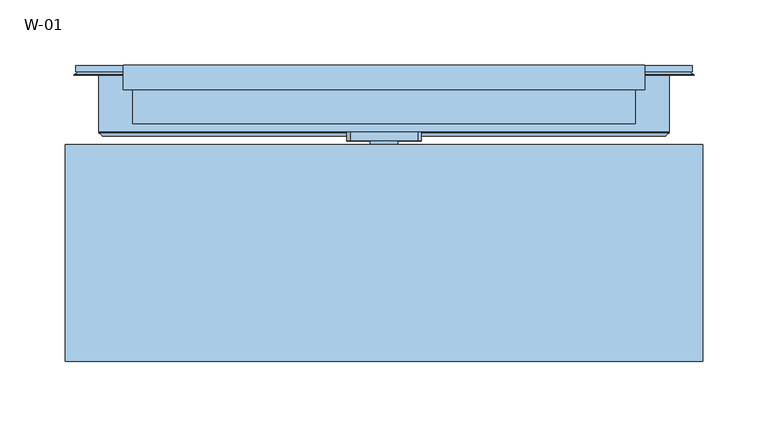
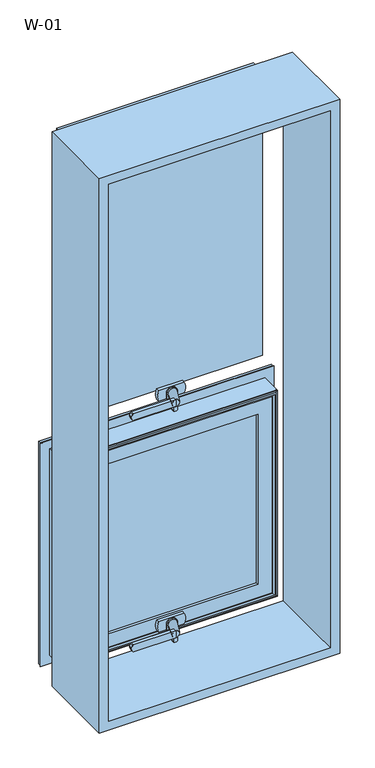
"""IFC4 building model written with IfcOpenShell, lengths in millimetres: window geometry, W-01."""

from ifc_helpers import new_model, si_unit, point, frame, frame_2d, origin, place, context, project, spatial, polyline, circle_curve, ellipse_curve, trimmed, segment, composite_curve, outline, extrude, source, transform, mapped, element, save
from ifc_brep_helpers import plane_surface, cylinder_surface, revolved_surface, spline_surface, advanced_brep


def w_01_07b2ce34(model_context):
    return source(origin(), model_context, "Body", "SolidModel", [
        extrude(outline(polyline([(192.4, 81.9927036), (-192.4, 81.9927036), (-192.4, 107.9927036), (192.4, 107.9927036), (192.4, 81.9927036)])), frame((0.0, 0.0, 1052.2), z_axis=(0.0, 0.0, 1.0), x_axis=(1.0, 0.0, 0.0)), (0.0, 0.0, 1.0), 590.2),
        extrude(outline(polyline([(1693.8, 243.8), (1693.8, -243.8), (506.2, -243.8), (506.2, 243.8), (1693.8, 243.8)]), holes=[polyline([(524.7, 225.3), (524.7, -225.3), (1675.3, -225.3), (1675.3, 225.3), (524.7, 225.3)])]), frame((0.0, -100.0, 0.0), z_axis=(0.0, 1.0, 0.0), x_axis=(0.0, 0.0, 1.0)), (0.0, 0.0, 1.0), 165.9999813),
        extrude(outline(polyline([(192.4, 81.9927036), (-192.4, 81.9927036), (-192.4, 107.9927036), (192.4, 107.9927036), (192.4, 81.9927036)])), frame((0.0, 0.0, 557.6), z_axis=(0.0, 0.0, 1.0), x_axis=(1.0, 0.0, 0.0)), (0.0, 0.0, 1.0), 389.8),
        advanced_brep(
        [(-179.4, 115.3228058, 934.4), (-177.2575034, 107.9927036, 932.2575034), (-177.2575034, 107.9927036, 572.7424966), (-179.4, 115.3228058, 570.6), (-179.4, 126.5998961, 934.4), (-179.4, 126.5998961, 570.6), (-199.4, 107.9927036, 954.4), (-199.4, 126.5998961, 954.4), (-199.4, 126.5998961, 550.6), (-199.4, 107.9927036, 550.6), (177.2575034, 107.9927036, 572.7424966), (179.4, 115.3228058, 570.6), (179.4, 126.5998961, 570.6), (199.4, 126.5998961, 550.6), (199.4, 107.9927036, 550.6), (177.2575034, 107.9927036, 932.2575034), (179.4, 115.3228058, 934.4), (179.4, 126.5998961, 934.4), (199.4, 126.5998961, 954.4), (199.4, 107.9927036, 954.4)],
        [
            (0, 1, ellipse_curve(frame((-159.7925883, 117.0756419, 914.7925883), z_axis=(0.7071067811865475, 0.0, 0.7071067811865475), x_axis=(0.7071067811865474, 0.0, -0.7071067811865476)), 27.839649, 19.6856046)),
            (1, 2),
            (2, 3, ellipse_curve(frame((-159.7925883, 117.0756419, 590.2074117), z_axis=(0.7071067811865475, 0.0, -0.7071067811865475), x_axis=(-0.7071067811865474, 0.0, -0.7071067811865476)), 27.839649, 19.6856046)),
            (3, 0),
            (4, 0),
            (3, 5),
            (5, 4),
            (6, 7),
            (7, 8),
            (8, 9),
            (9, 6),
            (2, 10),
            (10, 11, ellipse_curve(frame((159.7925883, 117.0756419, 590.2074117), z_axis=(0.7071067811865475, 0.0, 0.7071067811865475), x_axis=(0.7071067811865476, 0.0, -0.7071067811865474)), 27.839649, 19.6856046)),
            (11, 3),
            (11, 12),
            (12, 5),
            (8, 13),
            (13, 14),
            (14, 9),
            (10, 15),
            (15, 16, ellipse_curve(frame((159.7925883, 117.0756419, 914.7925883), z_axis=(-0.7071067811865475, 0.0, 0.7071067811865475), x_axis=(0.7071067811865474, 0.0, 0.7071067811865476)), 27.839649, 19.6856046)),
            (16, 11),
            (16, 17),
            (17, 12),
            (13, 18),
            (18, 19),
            (19, 14),
            (19, 6),
            (1, 15),
            (0, 16),
            (4, 17),
            (7, 18),
        ],
        [
            revolved_surface(polyline([(-179.4781929, 117.0756419, 570.5218071062467), (-179.4781929, 117.0756419, 934.4781928937533)]), (-159.7925883, 117.0756419, 954.4), (0.0, 0.0, -1.0)),
            plane_surface(frame((-179.4, 115.3228058, 934.4), z_axis=(1.0, 0.0, 0.0), x_axis=(0.0, 0.0, -1.0))),
            plane_surface(frame((-199.4, 126.5998961, 954.4), z_axis=(-1.0, 0.0, 0.0), x_axis=(0.0, 0.0, -1.0))),
            revolved_surface(polyline([(179.4781928937533, 117.0756419, 570.5218070999999), (-179.4781928937533, 117.0756419, 570.5218070999999)]), (-199.4, 117.0756419, 590.2074117), (1.0, 0.0, 0.0)),
            plane_surface(frame((-179.4, 115.3228058, 570.6), z_axis=(0.0, 0.0, 1.0), x_axis=(1.0, 0.0, 0.0))),
            plane_surface(frame((-199.4, 126.5998961, 550.6), z_axis=(0.0, 0.0, -1.0), x_axis=(1.0, 0.0, 0.0))),
            revolved_surface(polyline([(179.4781929, 117.0756419, 934.4781928937533), (179.4781929, 117.0756419, 570.5218071062467)]), (159.7925883, 117.0756419, 550.6), (0.0, 0.0, 1.0)),
            plane_surface(frame((179.4, 115.3228058, 570.6), z_axis=(-1.0, 0.0, 0.0), x_axis=(0.0, 0.0, 1.0))),
            plane_surface(frame((199.4, 126.5998961, 550.6), z_axis=(1.0, 0.0, 0.0), x_axis=(0.0, 0.0, 1.0))),
            plane_surface(frame((199.4, 107.9927036, 954.4), z_axis=(0.0, -1.0, 0.0), x_axis=(-1.0, 0.0, 0.0))),
            revolved_surface(polyline([(-179.4781928937533, 117.0756419, 934.4781929000001), (179.4781928937533, 117.0756419, 934.4781929000001)]), (199.4, 117.0756419, 914.7925883), (-1.0, 0.0, 0.0)),
            plane_surface(frame((179.4, 115.3228058, 934.4), z_axis=(0.0, 0.0, -1.0), x_axis=(-1.0, 0.0, 0.0))),
            plane_surface(frame((179.4, 126.5998961, 934.4), z_axis=(0.0, 1.0, 0.0), x_axis=(-1.0, 0.0, 0.0))),
            plane_surface(frame((199.4, 126.5998961, 954.4), z_axis=(0.0, 0.0, 1.0), x_axis=(-1.0, 0.0, 0.0))),
        ],
        [
            (0, [[1, 2, 3, 4]]),
            (1, [[5, -4, 6, 7]]),
            (2, [[8, 9, 10, 11]]),
            (3, [[-3, 12, 13, 14]]),
            (4, [[-6, -14, 15, 16]]),
            (5, [[-10, 17, 18, 19]]),
            (6, [[-13, 20, 21, 22]]),
            (7, [[-15, -22, 23, 24]]),
            (8, [[-18, 25, 26, 27]]),
            (9, [[-19, -27, 28, -11], [29, -20, -12, -2]]),
            (10, [[-21, -29, -1, 30]]),
            (11, [[-23, -30, -5, 31]]),
            (12, [[32, -25, -17, -9], [-16, -24, -31, -7]]),
            (13, [[-26, -32, -8, -28]]),
        ],
    ),
        extrude(outline(composite_curve([segment(polyline([(531.7, -8.432005), (531.7, -5.567995)]), True, "CONTINUOUS"), segment(trimmed(circle_curve(frame_2d((534.7, -5.567995)), 3.0), [point((531.7, -5.567995))], [point((534.5429921, -2.5721064))], False, "CARTESIAN"), True, "CONTINUOUS"), segment(polyline([(534.5429921, -2.5721064), (555.0, -1.5), (555.0, -12.5), (534.5429921, -11.4278936)]), True, "CONTINUOUS"), segment(trimmed(circle_curve(frame_2d((534.7, -8.432005)), 3.0), [point((534.5429921, -11.4278936))], [point((531.7, -8.432005))], False, "CARTESIAN"), True, "CONTINUOUS")], self_intersect=False)), frame((0.0, 42.4998877, 0.0), z_axis=(0.0, 1.0, 0.0), x_axis=(0.0, 0.0, 1.0)), (0.0, 0.0, 1.0), 4.9),
        extrude(outline(composite_curve([segment(polyline([(527.7, -3.7223739), (527.7, 1.7223739)]), True, "CONTINUOUS"), segment(trimmed(circle_curve(frame_2d((530.7, 1.7223739)), 3.0), [point((527.7, 1.7223739))], [point((530.5429921, 4.7182625))], False, "CARTESIAN"), True, "CONTINUOUS"), segment(polyline([(530.5429921, 4.7182625), (555.0, 6.0), (555.0, -8.0), (530.5429921, -6.7182625)]), True, "CONTINUOUS"), segment(trimmed(circle_curve(frame_2d((530.7, -3.7223739)), 3.0), [point((530.5429921, -6.7182625))], [point((527.7, -3.7223739))], False, "CARTESIAN"), True, "CONTINUOUS")], self_intersect=False)), frame((0.0, 59.2998877, 0.0), z_axis=(0.0, 1.0, 0.0), x_axis=(0.0, 0.0, 1.0)), (0.0, 0.0, 1.0), 5.3),
        extrude(outline(composite_curve([segment(trimmed(circle_curve(frame_2d((560.2, -96.7659341)), 2.0), [point((562.2, -96.7659341))], [point((560.9427814, -98.6228875))], False, "CARTESIAN"), True, "CONTINUOUS"), segment(polyline([(560.9427814, -98.6228875), (556.4855627, -100.4057749)]), True, "CONTINUOUS"), segment(trimmed(circle_curve(frame_2d((555.0, -96.6918682)), 4.0), [point((556.4855627, -100.4057749))], [point((553.5144373, -100.4057749))], False, "CARTESIAN"), True, "CONTINUOUS"), segment(polyline([(553.5144373, -100.4057749), (549.0572186, -98.6228875)]), True, "CONTINUOUS"), segment(trimmed(circle_curve(frame_2d((549.8, -96.7659341)), 2.0), [point((549.0572186, -98.6228875))], [point((547.8, -96.7659341))], False, "CARTESIAN"), True, "CONTINUOUS"), segment(polyline([(547.8, -96.7659341), (547.8, -11.0), (562.2, -11.0), (562.2, -96.7659341)]), True, "CONTINUOUS")], self_intersect=False)), frame((0.0, 34.5998877, 0.0), z_axis=(0.0, 1.0, 0.0), x_axis=(0.0, 0.0, 1.0)), (0.0, 0.0, 1.0), 7.0),
        extrude(outline(composite_curve([segment(trimmed(circle_curve(frame_2d((555.0, 0.0)), 7.0), [point((555.0, 7.0))], [point((555.0, -7.0))], False, "CARTESIAN"), True, "CONTINUOUS"), segment(trimmed(circle_curve(frame_2d((555.0, 0.0)), 7.0), [point((555.0, -7.0))], [point((555.0, 7.0))], False, "CARTESIAN"), True, "CONTINUOUS")], self_intersect=False)), frame((0.0, 64.5998877, 0.0), z_axis=(0.0, 1.0, 0.0), x_axis=(0.0, 0.0, 1.0)), (0.0, 0.0, 1.0), 1.5),
        advanced_brep(
        [(-3.5, 34.5998877, 555.0), (-18.5, 34.5998877, 555.0), (9.0, 64.5998877, 555.0), (-9.0, 64.5998877, 555.0)],
        [
            (0, 1, circle_curve(frame((-11.0, 34.5998877, 555.0), z_axis=(0.0, -1.0, 0.0), x_axis=(-1.0, 0.0, 0.0)), 7.5)),
            (1, 0, circle_curve(frame((-11.0, 34.5998877, 555.0), z_axis=(0.0, -1.0, 0.0), x_axis=(-1.0, 0.0, 0.0)), 7.5)),
            (2, 3, circle_curve(frame((0.0, 64.5998877, 555.0), z_axis=(0.0, 1.0, 0.0), x_axis=(-1.0, 0.0, 0.0)), 9.0)),
            (3, 2, circle_curve(frame((0.0, 64.5998877, 555.0), z_axis=(0.0, 1.0, 0.0), x_axis=(-1.0, 0.0, 0.0)), 9.0)),
            (2, 0),
            (1, 3),
        ],
        [
            plane_surface(frame((-11.0, 34.5998877, 555.0), z_axis=(0.0, -1.0, 0.0), x_axis=(0.0, 0.0, -1.0))),
            plane_surface(frame((0.0, 64.5998877, 555.0), z_axis=(0.0, 1.0, 0.0), x_axis=(0.0, 0.0, -1.0))),
            spline_surface(1, 2, [[(9.0, 64.5998877, 555.0), (9.0, 64.5998877, 546.0), (0.0, 64.5998877, 546.0), (-9.0, 64.5998877, 546.0), (-9.0, 64.5998877, 555.0)], [(-3.5, 34.5998877, 555.0), (-3.5, 34.5998877, 547.5), (-11.0, 34.5998877, 547.5), (-18.5, 34.5998877, 547.5), (-18.5, 34.5998877, 555.0)]], [2, 2], [3, 2, 3], [0.0, 1.0], [0.0, 1.0, 2.0], weights=[[1.0, 0.7071067811865476, 1.0, 0.7071067811865476, 1.0], [1.0, 0.7071067811865476, 1.0, 0.7071067811865476, 1.0]]),
            spline_surface(1, 2, [[(-9.0, 64.5998877, 555.0), (-9.0, 64.5998877, 564.0), (0.0, 64.5998877, 564.0), (9.0, 64.5998877, 564.0), (9.0, 64.5998877, 555.0)], [(-18.5, 34.5998877, 555.0), (-18.5, 34.5998877, 562.5), (-11.0, 34.5998877, 562.5), (-3.5, 34.5998877, 562.5), (-3.5, 34.5998877, 555.0)]], [2, 2], [3, 2, 3], [0.0, 1.0], [0.0, 1.0, 2.0], weights=[[1.0, 0.7071067811865476, 1.0, 0.7071067811865476, 1.0], [1.0, 0.7071067811865476, 1.0, 0.7071067811865476, 1.0]]),
        ],
        [
            (0, [[1, 2]]),
            (1, [[3, 4]]),
            (2, [[5, -2, 6, -3]]),
            (3, [[-6, -1, -5, -4]]),
        ],
    ),
        extrude(outline(composite_curve([segment(trimmed(circle_curve(frame_2d((555.0, 0.0)), 10.6), [point((555.0, 10.6))], [point((555.0, -10.6))], False, "CARTESIAN"), True, "CONTINUOUS"), segment(polyline([(555.0, -10.6), (543.95, -10.6), (543.95, 10.6), (555.0, 10.6)]), True, "CONTINUOUS")], self_intersect=False)), frame((0.0, 66.0998877, 0.0), z_axis=(0.0, 1.0, 0.0), x_axis=(0.0, 0.0, 1.0)), (0.0, 0.0, 1.0), 2.8),
        extrude(outline(composite_curve([segment(polyline([(543.95, -26.0), (543.95, 26.0)]), True, "CONTINUOUS"), segment(trimmed(circle_curve(frame_2d((555.0, 3.2967472)), 25.2495582), [point((543.95, 26.0))], [point((566.05, 26.0))], False, "CARTESIAN"), True, "CONTINUOUS"), segment(polyline([(566.05, 26.0), (566.05, -26.0)]), True, "CONTINUOUS"), segment(trimmed(circle_curve(frame_2d((555.0, -3.2967472)), 25.2495582), [point((566.05, -26.0))], [point((543.95, -26.0))], False, "CARTESIAN"), True, "CONTINUOUS")], self_intersect=False)), frame((0.0, 68.8998877, 0.0), z_axis=(0.0, 1.0, 0.0), x_axis=(0.0, 0.0, 1.0)), (0.0, 0.0, 1.0), 6.7),
        advanced_brep(
        [(235.8588651, 121.9998959, 990.8588651), (235.8588651, 121.9998959, 514.1411349), (235.8588651, 126.5998959, 514.1411349), (235.8588651, 126.5998959, 990.8588651), (-235.8588651, 126.5998959, 990.8588651), (-235.8588651, 126.5998959, 514.1411349), (199.3588651, 126.5998959, 954.3588651), (-199.3588651, 126.5998959, 954.3588651), (-199.3588651, 126.5998959, 550.6411349), (199.3588651, 126.5998959, 550.6411349), (-235.8588651, 121.9998959, 514.1411349), (-235.8588651, 121.9998959, 990.8588651), (-233.7537664, 121.9998959, 988.7537664), (233.7537664, 121.9998959, 988.7537664), (233.7537664, 121.9998959, 516.2462336), (-233.7537664, 121.9998959, 516.2462336), (236.4637148, 119.9946704, 991.4637148), (236.4637148, 119.9946704, 513.5362852), (-236.4637148, 119.9946704, 513.5362852), (237.2086873, 118.9999375, 992.2086873), (237.2086873, 118.9999375, 512.7913127), (-237.2086873, 118.9999375, 512.7913127), (-237.2086873, 118.9999375, 992.2086873), (-218.3588678, 118.9999375, 973.3588678), (218.3588678, 118.9999375, 973.3588678), (218.3588678, 118.9999375, 531.6411322), (-218.3588678, 118.9999375, 531.6411322), (218.3588678, 76.0998843, 973.3588678), (218.3588678, 76.0998843, 531.6411322), (-218.3588678, 76.0998843, 531.6411322), (217.8588679, 75.5998845, 972.8588679), (217.8588679, 75.5998845, 532.1411321), (-217.8588679, 75.5998845, 532.1411321), (218.144223, 74.6078109, 973.144223), (218.144223, 74.6078109, 531.855777), (-218.144223, 74.6078109, 531.855777), (215.4347904, 72.6034283, 970.4347904), (215.4347904, 72.6034283, 534.5652096), (-215.4347904, 72.6034283, 534.5652096), (-215.4347904, 72.6034283, 970.4347904), (-212.0349667, 72.6034283, 967.0349667), (212.0349667, 72.6034283, 967.0349667), (212.0349667, 72.6034283, 537.9650333), (-212.0349667, 72.6034283, 537.9650333), (208.8054323, 74.6078109, 963.8054323), (208.8054323, 74.6078109, 541.1945677), (-208.8054323, 74.6078109, 541.1945677), (208.340576, 75.5998877, 963.340576), (208.340576, 75.5998877, 541.659424), (-208.340576, 75.5998877, 541.659424), (-208.340576, 75.5998877, 963.340576), (-179.3588709, 75.5998877, 934.3588709), (179.3588709, 75.5998877, 934.3588709), (179.3588709, 75.5998877, 570.6411291), (-179.3588709, 75.5998877, 570.6411291), (179.3588709, 80.1998877, 934.3588709), (179.3588709, 80.1998877, 570.6411291), (-179.3588709, 80.1998877, 570.6411291), (-199.3588651, 80.1998877, 954.3588651), (199.3588651, 80.1998877, 954.3588651), (199.3588651, 80.1998877, 550.6411349), (-199.3588651, 80.1998877, 550.6411349), (-179.3588709, 80.1998877, 934.3588709), (-236.4637148, 119.9946704, 991.4637148), (-218.3588678, 76.0998843, 973.3588678), (-217.8588679, 75.5998845, 972.8588679), (-218.144223, 74.6078109, 973.144223), (-208.8054323, 74.6078109, 963.8054323)],
        [
            (0, 1),
            (1, 2),
            (2, 3),
            (3, 0),
            (4, 3),
            (2, 5),
            (5, 4),
            (6, 7),
            (7, 8),
            (8, 9),
            (9, 6),
            (1, 10),
            (10, 5),
            (0, 11),
            (11, 10),
            (12, 13),
            (13, 14),
            (14, 15),
            (15, 12),
            (16, 17),
            (17, 14, ellipse_curve(frame((237.5848432, 124.3435951, 512.4151568), z_axis=(-0.7071067811865475, 0.0, -0.7071067811865475), x_axis=(0.7071067811865474, 0.0, -0.7071067811865476)), 6.3513896, 4.4911107)),
            (13, 16, ellipse_curve(frame((237.5848432, 124.3435951, 992.5848432), z_axis=(-0.7071067811865475, 0.0, 0.7071067811865475), x_axis=(-0.7071067811865474, 0.0, -0.7071067811865476)), 6.3513896, 4.4911107)),
            (17, 18),
            (18, 15, ellipse_curve(frame((-237.5848432, 124.3435951, 512.4151568), z_axis=(-0.7071067811865475, 0.0, 0.7071067811865475), x_axis=(-0.7071067811865476, 0.0, -0.7071067811865474)), 6.3513896, 4.4911107)),
            (19, 20),
            (20, 17),
            (16, 19),
            (20, 21),
            (21, 18),
            (19, 22),
            (22, 21),
            (23, 24),
            (24, 25),
            (25, 26),
            (26, 23),
            (27, 28),
            (28, 25),
            (24, 27),
            (28, 29),
            (29, 26),
            (30, 31),
            (31, 28, ellipse_curve(frame((217.8588679, 76.0998843, 532.1411321), z_axis=(0.7071067811865475, 0.0, 0.7071067811865475), x_axis=(-0.7071067811865474, 0.0, 0.7071067811865476)), 0.7071066, 0.4999999)),
            (27, 30, ellipse_curve(frame((217.8588679, 76.0998843, 972.8588679), z_axis=(0.7071067811865475, 0.0, -0.7071067811865475), x_axis=(0.7071067811865474, 0.0, 0.7071067811865476)), 0.7071066, 0.4999999)),
            (31, 32),
            (32, 29, ellipse_curve(frame((-217.8588679, 76.0998843, 532.1411321), z_axis=(0.7071067811865475, 0.0, -0.7071067811865475), x_axis=(0.7071067811865476, 0.0, 0.7071067811865474)), 0.7071066, 0.4999999)),
            (33, 34),
            (34, 31),
            (30, 33),
            (34, 35),
            (35, 32),
            (36, 37),
            (37, 34, ellipse_curve(frame((219.2653514, 70.2588862, 530.7346486), z_axis=(-0.7071067811865475, 0.0, -0.7071067811865475), x_axis=(0.7071067811865474, 0.0, -0.7071067811865476)), 6.3513896, 4.4911107)),
            (33, 36, ellipse_curve(frame((219.2653514, 70.2588862, 974.2653514), z_axis=(-0.7071067811865475, 0.0, 0.7071067811865475), x_axis=(-0.7071067811865474, 0.0, -0.7071067811865476)), 6.3513896, 4.4911107)),
            (37, 38),
            (38, 35, ellipse_curve(frame((-219.2653514, 70.2588862, 530.7346486), z_axis=(-0.7071067811865475, 0.0, 0.7071067811865475), x_axis=(-0.7071067811865476, 0.0, -0.7071067811865474)), 6.3513896, 4.4911107)),
            (36, 39),
            (39, 38),
            (40, 41),
            (41, 42),
            (42, 43),
            (43, 40),
            (44, 45),
            (45, 42, ellipse_curve(frame((208.5540914, 70.5988781, 541.4459086), z_axis=(-0.7071067811865475, 0.0, -0.7071067811865475), x_axis=(0.7071067811865474, 0.0, -0.7071067811865476)), 5.6806187, 4.016804)),
            (41, 44, ellipse_curve(frame((208.5540914, 70.5988781, 963.5540914), z_axis=(-0.7071067811865475, 0.0, 0.7071067811865475), x_axis=(-0.7071067811865474, 0.0, -0.7071067811865476)), 5.6806187, 4.016804)),
            (45, 46),
            (46, 43, ellipse_curve(frame((-208.5540914, 70.5988781, 541.4459086), z_axis=(-0.7071067811865475, 0.0, 0.7071067811865475), x_axis=(-0.7071067811865476, 0.0, -0.7071067811865474)), 5.6806187, 4.016804)),
            (47, 48),
            (48, 45),
            (44, 47),
            (48, 49),
            (49, 46),
            (47, 50),
            (50, 49),
            (51, 52),
            (52, 53),
            (53, 54),
            (54, 51),
            (55, 56),
            (56, 53),
            (52, 55),
            (56, 57),
            (57, 54),
            (58, 59),
            (59, 60),
            (60, 61),
            (61, 58),
            (55, 62),
            (62, 57),
            (9, 60),
            (59, 6),
            (8, 61),
            (11, 4),
            (18, 63),
            (63, 12, ellipse_curve(frame((-237.5848432, 124.3435951, 992.5848432), z_axis=(0.7071067811865475, 0.0, 0.7071067811865475), x_axis=(-0.7071067811865474, 0.0, 0.7071067811865476)), 6.3513896, 4.4911107)),
            (22, 63),
            (29, 64),
            (64, 23),
            (32, 65),
            (65, 64, ellipse_curve(frame((-217.8588679, 76.0998843, 972.8588679), z_axis=(-0.7071067811865475, 0.0, -0.7071067811865475), x_axis=(0.7071067811865474, 0.0, -0.7071067811865476)), 0.7071066, 0.4999999)),
            (35, 66),
            (66, 65),
            (39, 66, ellipse_curve(frame((-219.2653514, 70.2588862, 974.2653514), z_axis=(0.7071067811865475, 0.0, 0.7071067811865475), x_axis=(-0.7071067811865474, 0.0, 0.7071067811865476)), 6.3513896, 4.4911107)),
            (46, 67),
            (67, 40, ellipse_curve(frame((-208.5540914, 70.5988781, 963.5540914), z_axis=(0.7071067811865475, 0.0, 0.7071067811865475), x_axis=(-0.7071067811865474, 0.0, 0.7071067811865476)), 5.6806187, 4.016804)),
            (50, 67),
            (62, 51),
            (7, 58),
            (63, 16),
            (64, 27),
            (65, 30),
            (66, 33),
            (67, 44),
        ],
        [
            plane_surface(frame((235.8588651, 126.5998959, 990.8588651), z_axis=(1.0, 0.0, 0.0), x_axis=(0.0, 0.0, -1.0))),
            plane_surface(frame((-199.3588651, 126.5998959, 550.6411349), z_axis=(0.0, 1.0, 0.0), x_axis=(0.0, 0.0, 1.0))),
            plane_surface(frame((235.8588651, 126.5998959, 514.1411349), z_axis=(0.0, 0.0, -1.0), x_axis=(-1.0, 0.0, 0.0))),
            plane_surface(frame((-235.8588651, 121.9998959, 514.1411349), z_axis=(0.0, -1.0, 0.0), x_axis=(0.0, 0.0, 1.0))),
            revolved_surface(polyline([(242.0759539, 124.3435951, 507.92404614388226), (242.0759539, 124.3435951, 997.0759538561177)]), (237.5848432, 124.3435951, 1005.0), (0.0, 0.0, -1.0)),
            revolved_surface(polyline([(-242.07595385611774, 124.3435951, 507.9240461), (242.0759538561177, 124.3435951, 507.9240461)]), (250.0, 124.3435951, 512.4151568), (-1.0, 0.0, 0.0)),
            plane_surface(frame((236.4637148, 119.9946704, 991.4637148), z_axis=(0.8004158635848707, 0.5994451145198247, 0.0), x_axis=(0.0, 0.0, -1.0))),
            plane_surface(frame((236.4637148, 119.9946704, 513.5362852), z_axis=(0.0, 0.5994451145198296, -0.800415863584867), x_axis=(-1.0, 0.0, 0.0))),
            plane_surface(frame((-237.2086873, 118.9999375, 512.7913127), z_axis=(0.0, -1.0, 0.0), x_axis=(0.0, 0.0, 1.0))),
            plane_surface(frame((218.3588678, 118.9999375, 973.3588678), z_axis=(1.0, 0.0, 0.0), x_axis=(0.0, 0.0, -1.0))),
            plane_surface(frame((218.3588678, 118.9999375, 531.6411322), z_axis=(0.0, 0.0, -1.0), x_axis=(-1.0, 0.0, 0.0))),
            cylinder_surface(frame((217.8588679, 76.0998843, 1005.0), z_axis=(0.0, 0.0, 1.0), x_axis=(1.0, 0.0, 0.0)), 0.4999999),
            cylinder_surface(frame((250.0, 76.0998843, 532.1411321), z_axis=(1.0, 0.0, 0.0), x_axis=(0.0, 0.0, -1.0)), 0.4999999),
            plane_surface(frame((217.8588679, 75.5998845, 972.8588679), z_axis=(0.9610348327667624, 0.27642729642522856, 0.0), x_axis=(0.0, 0.0, -1.0))),
            plane_surface(frame((217.8588679, 75.5998845, 532.1411321), z_axis=(0.0, 0.27642729642523445, -0.9610348327667607), x_axis=(-1.0, 0.0, 0.0))),
            revolved_surface(polyline([(223.7564621, 70.2588862, 526.2435379438823), (223.7564621, 70.2588862, 978.7564620561177)]), (219.2653514, 70.2588862, 1005.0), (0.0, 0.0, -1.0)),
            revolved_surface(polyline([(-223.7564620561177, 70.2588862, 526.2435379), (223.7564620561177, 70.2588862, 526.2435379)]), (250.0, 70.2588862, 530.7346486), (-1.0, 0.0, 0.0)),
            plane_surface(frame((-215.4347904, 72.6034283, 534.5652096), z_axis=(0.0, -1.0, 0.0), x_axis=(0.0, 0.0, 1.0))),
            revolved_surface(polyline([(212.5708954, 70.5988781, 537.429104595895), (212.5708954, 70.5988781, 967.570895404105)]), (208.5540914, 70.5988781, 1005.0), (0.0, 0.0, -1.0)),
            revolved_surface(polyline([(-212.5708954041051, 70.5988781, 537.4291046000001), (212.5708954041051, 70.5988781, 537.4291046000001)]), (250.0, 70.5988781, 541.4459086), (-1.0, 0.0, 0.0)),
            plane_surface(frame((208.8054323, 74.6078109, 963.8054323), z_axis=(-0.9055219642805072, -0.4242993898246519, 0.0), x_axis=(0.0, 0.0, -1.0))),
            plane_surface(frame((208.8054323, 74.6078109, 541.1945677), z_axis=(0.0, -0.4242993898246574, 0.9055219642805047), x_axis=(-1.0, 0.0, 0.0))),
            plane_surface(frame((-208.340576, 75.5998877, 541.659424), z_axis=(0.0, -1.0, 0.0), x_axis=(0.0, 0.0, 1.0))),
            plane_surface(frame((179.3588709, 75.5998877, 934.3588709), z_axis=(-1.0, 0.0, 0.0), x_axis=(0.0, 0.0, -1.0))),
            plane_surface(frame((179.3588709, 75.5998877, 570.6411291), z_axis=(0.0, 0.0, 1.0), x_axis=(-1.0, 0.0, 0.0))),
            plane_surface(frame((-179.3588709, 80.1998877, 570.6411291), z_axis=(0.0, 1.0, 0.0), x_axis=(0.0, 0.0, 1.0))),
            plane_surface(frame((199.3588651, 80.1998877, 954.3588651), z_axis=(-1.0, 0.0, 0.0), x_axis=(0.0, 0.0, -1.0))),
            plane_surface(frame((199.3588651, 80.1998877, 550.6411349), z_axis=(0.0, 0.0, 1.0), x_axis=(-1.0, 0.0, 0.0))),
            plane_surface(frame((-235.8588651, 126.5998959, 514.1411349), z_axis=(-1.0, 0.0, 0.0), x_axis=(0.0, 0.0, 1.0))),
            revolved_surface(polyline([(-242.0759539, 124.3435951, 997.0759538561177), (-242.0759539, 124.3435951, 507.92404614388226)]), (-237.5848432, 124.3435951, 500.0), (0.0, 0.0, 1.0)),
            plane_surface(frame((-236.4637148, 119.9946704, 513.5362852), z_axis=(-0.8004158635848634, 0.5994451145198345, 0.0), x_axis=(0.0, 0.0, 1.0))),
            plane_surface(frame((-218.3588678, 118.9999375, 531.6411322), z_axis=(-1.0, 0.0, 0.0), x_axis=(0.0, 0.0, 1.0))),
            cylinder_surface(frame((-217.8588679, 76.0998843, 500.0), z_axis=(0.0, 0.0, -1.0), x_axis=(-1.0, 0.0, 0.0)), 0.4999999),
            plane_surface(frame((-217.8588679, 75.5998845, 532.1411321), z_axis=(-0.961034832766759, 0.27642729642524033, 0.0), x_axis=(0.0, 0.0, 1.0))),
            revolved_surface(polyline([(-223.7564621, 70.2588862, 978.7564620561177), (-223.7564621, 70.2588862, 526.2435379438823)]), (-219.2653514, 70.2588862, 500.0), (0.0, 0.0, 1.0)),
            revolved_surface(polyline([(-212.5708954, 70.5988781, 967.570895404105), (-212.5708954, 70.5988781, 537.429104595895)]), (-208.5540914, 70.5988781, 500.0), (0.0, 0.0, 1.0)),
            plane_surface(frame((-208.8054323, 74.6078109, 541.1945677), z_axis=(0.9055219642805021, -0.424299389824663, 0.0), x_axis=(0.0, 0.0, 1.0))),
            plane_surface(frame((-179.3588709, 75.5998877, 570.6411291), z_axis=(1.0, 0.0, 0.0), x_axis=(0.0, 0.0, 1.0))),
            plane_surface(frame((-199.3588651, 80.1998877, 550.6411349), z_axis=(1.0, 0.0, 0.0), x_axis=(0.0, 0.0, 1.0))),
            plane_surface(frame((-235.8588651, 126.5998959, 990.8588651), z_axis=(0.0, 0.0, 1.0), x_axis=(1.0, 0.0, 0.0))),
            revolved_surface(polyline([(242.07595385611774, 124.3435951, 997.0759539000001), (-242.0759538561177, 124.3435951, 997.0759539000001)]), (-250.0, 124.3435951, 992.5848432), (1.0, 0.0, 0.0)),
            plane_surface(frame((-236.4637148, 119.9946704, 991.4637148), z_axis=(0.0, 0.5994451145198296, 0.800415863584867), x_axis=(1.0, 0.0, 0.0))),
            plane_surface(frame((-218.3588678, 118.9999375, 973.3588678), z_axis=(0.0, 0.0, 1.0), x_axis=(1.0, 0.0, 0.0))),
            cylinder_surface(frame((-250.0, 76.0998843, 972.8588679), z_axis=(-1.0, 0.0, 0.0), x_axis=(0.0, 0.0, 1.0)), 0.4999999),
            plane_surface(frame((-217.8588679, 75.5998845, 972.8588679), z_axis=(0.0, 0.27642729642523445, 0.9610348327667607), x_axis=(1.0, 0.0, 0.0))),
            revolved_surface(polyline([(223.7564620561177, 70.2588862, 978.7564621), (-223.7564620561177, 70.2588862, 978.7564621)]), (-250.0, 70.2588862, 974.2653514), (1.0, 0.0, 0.0)),
            revolved_surface(polyline([(212.5708954041051, 70.5988781, 967.5708953999999), (-212.5708954041051, 70.5988781, 967.5708953999999)]), (-250.0, 70.5988781, 963.5540914), (1.0, 0.0, 0.0)),
            plane_surface(frame((-208.8054323, 74.6078109, 963.8054323), z_axis=(0.0, -0.4242993898246574, -0.9055219642805047), x_axis=(1.0, 0.0, 0.0))),
            plane_surface(frame((-179.3588709, 75.5998877, 934.3588709), z_axis=(0.0, 0.0, -1.0), x_axis=(1.0, 0.0, 0.0))),
            plane_surface(frame((-199.3588651, 80.1998877, 954.3588651), z_axis=(0.0, 0.0, -1.0), x_axis=(1.0, 0.0, 0.0))),
        ],
        [
            (0, [[1, 2, 3, 4]]),
            (1, [[5, -3, 6, 7], [8, 9, 10, 11]]),
            (2, [[12, 13, -6, -2]]),
            (3, [[14, 15, -12, -1], [16, 17, 18, 19]]),
            (4, [[20, 21, -17, 22]]),
            (5, [[23, 24, -18, -21]]),
            (6, [[25, 26, -20, 27]]),
            (7, [[28, 29, -23, -26]]),
            (8, [[30, 31, -28, -25], [32, 33, 34, 35]]),
            (9, [[36, 37, -33, 38]]),
            (10, [[39, 40, -34, -37]]),
            (11, [[41, 42, -36, 43]]),
            (12, [[44, 45, -39, -42]]),
            (13, [[46, 47, -41, 48]]),
            (14, [[49, 50, -44, -47]]),
            (15, [[51, 52, -46, 53]]),
            (16, [[54, 55, -49, -52]]),
            (17, [[56, 57, -54, -51], [58, 59, 60, 61]]),
            (18, [[62, 63, -59, 64]]),
            (19, [[65, 66, -60, -63]]),
            (20, [[67, 68, -62, 69]]),
            (21, [[70, 71, -65, -68]]),
            (22, [[72, 73, -70, -67], [74, 75, 76, 77]]),
            (23, [[78, 79, -75, 80]]),
            (24, [[81, 82, -76, -79]]),
            (25, [[83, 84, 85, 86], [87, 88, -81, -78]]),
            (26, [[-11, 89, -84, 90]]),
            (27, [[-10, 91, -85, -89]]),
            (28, [[-15, 92, -7, -13]]),
            (29, [[93, 94, -19, -24]]),
            (30, [[-31, 95, -93, -29]]),
            (31, [[96, 97, -35, -40]]),
            (32, [[98, 99, -96, -45]]),
            (33, [[100, 101, -98, -50]]),
            (34, [[-57, 102, -100, -55]]),
            (35, [[103, 104, -61, -66]]),
            (36, [[-73, 105, -103, -71]]),
            (37, [[-88, 106, -77, -82]]),
            (38, [[-9, 107, -86, -91]]),
            (39, [[-14, -4, -5, -92]]),
            (40, [[108, -22, -16, -94]]),
            (41, [[-30, -27, -108, -95]]),
            (42, [[109, -38, -32, -97]]),
            (43, [[110, -43, -109, -99]]),
            (44, [[111, -48, -110, -101]]),
            (45, [[-56, -53, -111, -102]]),
            (46, [[112, -64, -58, -104]]),
            (47, [[-72, -69, -112, -105]]),
            (48, [[-87, -80, -74, -106]]),
            (49, [[-8, -90, -83, -107]]),
        ],
    ),
        advanced_brep(
        [(-179.4, 115.3228058, 1629.4), (-177.2575034, 107.9927036, 1627.2575034), (-177.2575034, 107.9927036, 1067.7424966), (-179.4, 115.3228058, 1065.6), (-179.4, 126.5998961, 1629.4), (-179.4, 126.5998961, 1065.6), (-199.4, 107.9927036, 1649.4), (-199.4, 126.5998961, 1649.4), (-199.4, 126.5998961, 1045.6), (-199.4, 107.9927036, 1045.6), (177.2575034, 107.9927036, 1067.7424966), (179.4, 115.3228058, 1065.6), (179.4, 126.5998961, 1065.6), (199.4, 126.5998961, 1045.6), (199.4, 107.9927036, 1045.6), (177.2575034, 107.9927036, 1627.2575034), (179.4, 115.3228058, 1629.4), (179.4, 126.5998961, 1629.4), (199.4, 126.5998961, 1649.4), (199.4, 107.9927036, 1649.4)],
        [
            (0, 1, ellipse_curve(frame((-159.7925883, 117.0756419, 1609.7925883), z_axis=(0.7071067811865475, 0.0, 0.7071067811865475), x_axis=(0.7071067811865474, 0.0, -0.7071067811865476)), 27.839649, 19.6856046)),
            (1, 2),
            (2, 3, ellipse_curve(frame((-159.7925883, 117.0756419, 1085.2074117), z_axis=(0.7071067811865475, 0.0, -0.7071067811865475), x_axis=(-0.7071067811865474, 0.0, -0.7071067811865476)), 27.839649, 19.6856046)),
            (3, 0),
            (4, 0),
            (3, 5),
            (5, 4),
            (6, 7),
            (7, 8),
            (8, 9),
            (9, 6),
            (2, 10),
            (10, 11, ellipse_curve(frame((159.7925883, 117.0756419, 1085.2074117), z_axis=(0.7071067811865475, 0.0, 0.7071067811865475), x_axis=(0.7071067811865476, 0.0, -0.7071067811865474)), 27.839649, 19.6856046)),
            (11, 3),
            (11, 12),
            (12, 5),
            (8, 13),
            (13, 14),
            (14, 9),
            (10, 15),
            (15, 16, ellipse_curve(frame((159.7925883, 117.0756419, 1609.7925883), z_axis=(-0.7071067811865475, 0.0, 0.7071067811865475), x_axis=(0.7071067811865474, 0.0, 0.7071067811865476)), 27.839649, 19.6856046)),
            (16, 11),
            (16, 17),
            (17, 12),
            (13, 18),
            (18, 19),
            (19, 14),
            (19, 6),
            (1, 15),
            (0, 16),
            (4, 17),
            (7, 18),
        ],
        [
            revolved_surface(polyline([(-179.4781929, 117.0756419, 1065.5218071062468), (-179.4781929, 117.0756419, 1629.4781928937534)]), (-159.7925883, 117.0756419, 1649.4), (0.0, 0.0, -1.0)),
            plane_surface(frame((-179.4, 115.3228058, 1629.4), z_axis=(1.0, 0.0, 0.0), x_axis=(0.0, 0.0, -1.0))),
            plane_surface(frame((-199.4, 126.5998961, 1649.4), z_axis=(-1.0, 0.0, 0.0), x_axis=(0.0, 0.0, -1.0))),
            revolved_surface(polyline([(179.4781928937533, 117.0756419, 1065.5218071), (-179.4781928937533, 117.0756419, 1065.5218071)]), (-199.4, 117.0756419, 1085.2074117), (1.0, 0.0, 0.0)),
            plane_surface(frame((-179.4, 115.3228058, 1065.6), z_axis=(0.0, 0.0, 1.0), x_axis=(1.0, 0.0, 0.0))),
            plane_surface(frame((-199.4, 126.5998961, 1045.6), z_axis=(0.0, 0.0, -1.0), x_axis=(1.0, 0.0, 0.0))),
            revolved_surface(polyline([(179.4781929, 117.0756419, 1629.4781928937532), (179.4781929, 117.0756419, 1065.5218071062468)]), (159.7925883, 117.0756419, 1045.6), (0.0, 0.0, 1.0)),
            plane_surface(frame((179.4, 115.3228058, 1065.6), z_axis=(-1.0, 0.0, 0.0), x_axis=(0.0, 0.0, 1.0))),
            plane_surface(frame((199.4, 126.5998961, 1045.6), z_axis=(1.0, 0.0, 0.0), x_axis=(0.0, 0.0, 1.0))),
            plane_surface(frame((199.4, 107.9927036, 1649.4), z_axis=(0.0, -1.0, 0.0), x_axis=(-1.0, 0.0, 0.0))),
            revolved_surface(polyline([(-179.4781928937533, 117.0756419, 1629.4781929), (179.4781928937533, 117.0756419, 1629.4781929)]), (199.4, 117.0756419, 1609.7925883), (-1.0, 0.0, 0.0)),
            plane_surface(frame((179.4, 115.3228058, 1629.4), z_axis=(0.0, 0.0, -1.0), x_axis=(-1.0, 0.0, 0.0))),
            plane_surface(frame((179.4, 126.5998961, 1629.4), z_axis=(0.0, 1.0, 0.0), x_axis=(-1.0, 0.0, 0.0))),
            plane_surface(frame((199.4, 126.5998961, 1649.4), z_axis=(0.0, 0.0, 1.0), x_axis=(-1.0, 0.0, 0.0))),
        ],
        [
            (0, [[1, 2, 3, 4]]),
            (1, [[5, -4, 6, 7]]),
            (2, [[8, 9, 10, 11]]),
            (3, [[-3, 12, 13, 14]]),
            (4, [[-6, -14, 15, 16]]),
            (5, [[-10, 17, 18, 19]]),
            (6, [[-13, 20, 21, 22]]),
            (7, [[-15, -22, 23, 24]]),
            (8, [[-18, 25, 26, 27]]),
            (9, [[-19, -27, 28, -11], [29, -20, -12, -2]]),
            (10, [[-21, -29, -1, 30]]),
            (11, [[-23, -30, -5, 31]]),
            (12, [[32, -25, -17, -9], [-16, -24, -31, -7]]),
            (13, [[-26, -32, -8, -28]]),
        ],
    ),
        extrude(outline(composite_curve([segment(polyline([(1026.7, -8.432005), (1026.7, -5.567995)]), True, "CONTINUOUS"), segment(trimmed(circle_curve(frame_2d((1029.7, -5.567995)), 3.0), [point((1026.7, -5.567995))], [point((1029.5429921, -2.5721064))], False, "CARTESIAN"), True, "CONTINUOUS"), segment(polyline([(1029.5429921, -2.5721064), (1050.0, -1.5), (1050.0, -12.5), (1029.5429921, -11.4278936)]), True, "CONTINUOUS"), segment(trimmed(circle_curve(frame_2d((1029.7, -8.432005)), 3.0), [point((1029.5429921, -11.4278936))], [point((1026.7, -8.432005))], False, "CARTESIAN"), True, "CONTINUOUS")], self_intersect=False)), frame((0.0, 42.4998877, 0.0), z_axis=(0.0, 1.0, 0.0), x_axis=(0.0, 0.0, 1.0)), (0.0, 0.0, 1.0), 4.9),
        extrude(outline(composite_curve([segment(polyline([(1022.7, -3.7223739), (1022.7, 1.7223739)]), True, "CONTINUOUS"), segment(trimmed(circle_curve(frame_2d((1025.7, 1.7223739)), 3.0), [point((1022.7, 1.7223739))], [point((1025.5429921, 4.7182625))], False, "CARTESIAN"), True, "CONTINUOUS"), segment(polyline([(1025.5429921, 4.7182625), (1050.0, 6.0), (1050.0, -8.0), (1025.5429921, -6.7182625)]), True, "CONTINUOUS"), segment(trimmed(circle_curve(frame_2d((1025.7, -3.7223739)), 3.0), [point((1025.5429921, -6.7182625))], [point((1022.7, -3.7223739))], False, "CARTESIAN"), True, "CONTINUOUS")], self_intersect=False)), frame((0.0, 59.2998877, 0.0), z_axis=(0.0, 1.0, 0.0), x_axis=(0.0, 0.0, 1.0)), (0.0, 0.0, 1.0), 5.3),
        extrude(outline(composite_curve([segment(trimmed(circle_curve(frame_2d((1055.2, -96.7659341)), 2.0), [point((1057.2, -96.7659341))], [point((1055.9427814, -98.6228875))], False, "CARTESIAN"), True, "CONTINUOUS"), segment(polyline([(1055.9427814, -98.6228875), (1051.4855627, -100.4057749)]), True, "CONTINUOUS"), segment(trimmed(circle_curve(frame_2d((1050.0, -96.6918682)), 4.0), [point((1051.4855627, -100.4057749))], [point((1048.5144373, -100.4057749))], False, "CARTESIAN"), True, "CONTINUOUS"), segment(polyline([(1048.5144373, -100.4057749), (1044.0572186, -98.6228875)]), True, "CONTINUOUS"), segment(trimmed(circle_curve(frame_2d((1044.8, -96.7659341)), 2.0), [point((1044.0572186, -98.6228875))], [point((1042.8, -96.7659341))], False, "CARTESIAN"), True, "CONTINUOUS"), segment(polyline([(1042.8, -96.7659341), (1042.8, -11.0), (1057.2, -11.0), (1057.2, -96.7659341)]), True, "CONTINUOUS")], self_intersect=False)), frame((0.0, 34.5998877, 0.0), z_axis=(0.0, 1.0, 0.0), x_axis=(0.0, 0.0, 1.0)), (0.0, 0.0, 1.0), 7.0),
        extrude(outline(composite_curve([segment(trimmed(circle_curve(frame_2d((1050.0, 0.0)), 7.0), [point((1050.0, 7.0))], [point((1050.0, -7.0))], False, "CARTESIAN"), True, "CONTINUOUS"), segment(trimmed(circle_curve(frame_2d((1050.0, 0.0)), 7.0), [point((1050.0, -7.0))], [point((1050.0, 7.0))], False, "CARTESIAN"), True, "CONTINUOUS")], self_intersect=False)), frame((0.0, 64.5998877, 0.0), z_axis=(0.0, 1.0, 0.0), x_axis=(0.0, 0.0, 1.0)), (0.0, 0.0, 1.0), 1.5),
        advanced_brep(
        [(-3.5, 34.5998877, 1050.0), (-18.5, 34.5998877, 1050.0), (9.0, 64.5998877, 1050.0), (-9.0, 64.5998877, 1050.0)],
        [
            (0, 1, circle_curve(frame((-11.0, 34.5998877, 1050.0), z_axis=(0.0, -1.0, 0.0), x_axis=(-1.0, 0.0, 0.0)), 7.5)),
            (1, 0, circle_curve(frame((-11.0, 34.5998877, 1050.0), z_axis=(0.0, -1.0, 0.0), x_axis=(-1.0, 0.0, 0.0)), 7.5)),
            (2, 3, circle_curve(frame((0.0, 64.5998877, 1050.0), z_axis=(0.0, 1.0, 0.0), x_axis=(-1.0, 0.0, 0.0)), 9.0)),
            (3, 2, circle_curve(frame((0.0, 64.5998877, 1050.0), z_axis=(0.0, 1.0, 0.0), x_axis=(-1.0, 0.0, 0.0)), 9.0)),
            (2, 0),
            (1, 3),
        ],
        [
            plane_surface(frame((-11.0, 34.5998877, 1050.0), z_axis=(0.0, -1.0, 0.0), x_axis=(0.0, 0.0, -1.0))),
            plane_surface(frame((0.0, 64.5998877, 1050.0), z_axis=(0.0, 1.0, 0.0), x_axis=(0.0, 0.0, -1.0))),
            spline_surface(1, 2, [[(9.0, 64.5998877, 1050.0), (9.0, 64.5998877, 1041.0), (0.0, 64.5998877, 1041.0), (-9.0, 64.5998877, 1041.0), (-9.0, 64.5998877, 1050.0)], [(-3.5, 34.5998877, 1050.0), (-3.5, 34.5998877, 1042.5), (-11.0, 34.5998877, 1042.5), (-18.5, 34.5998877, 1042.5), (-18.5, 34.5998877, 1050.0)]], [2, 2], [3, 2, 3], [0.0, 1.0], [0.0, 1.0, 2.0], weights=[[1.0, 0.7071067811865476, 1.0, 0.7071067811865476, 1.0], [1.0, 0.7071067811865476, 1.0, 0.7071067811865476, 1.0]]),
            spline_surface(1, 2, [[(-9.0, 64.5998877, 1050.0), (-9.0, 64.5998877, 1059.0), (0.0, 64.5998877, 1059.0), (9.0, 64.5998877, 1059.0), (9.0, 64.5998877, 1050.0)], [(-18.5, 34.5998877, 1050.0), (-18.5, 34.5998877, 1057.5), (-11.0, 34.5998877, 1057.5), (-3.5, 34.5998877, 1057.5), (-3.5, 34.5998877, 1050.0)]], [2, 2], [3, 2, 3], [0.0, 1.0], [0.0, 1.0, 2.0], weights=[[1.0, 0.7071067811865476, 1.0, 0.7071067811865476, 1.0], [1.0, 0.7071067811865476, 1.0, 0.7071067811865476, 1.0]]),
        ],
        [
            (0, [[1, 2]]),
            (1, [[3, 4]]),
            (2, [[5, -2, 6, -3]]),
            (3, [[-6, -1, -5, -4]]),
        ],
    ),
        extrude(outline(composite_curve([segment(trimmed(circle_curve(frame_2d((1050.0, 0.0)), 10.6), [point((1050.0, 10.6))], [point((1050.0, -10.6))], False, "CARTESIAN"), True, "CONTINUOUS"), segment(polyline([(1050.0, -10.6), (1038.95, -10.6), (1038.95, 10.6), (1050.0, 10.6)]), True, "CONTINUOUS")], self_intersect=False)), frame((0.0, 66.0998877, 0.0), z_axis=(0.0, 1.0, 0.0), x_axis=(0.0, 0.0, 1.0)), (0.0, 0.0, 1.0), 2.8),
        extrude(outline(composite_curve([segment(polyline([(1038.95, -26.0), (1038.95, 26.0)]), True, "CONTINUOUS"), segment(trimmed(circle_curve(frame_2d((1050.0, 3.2967472)), 25.2495582), [point((1038.95, 26.0))], [point((1061.05, 26.0))], False, "CARTESIAN"), True, "CONTINUOUS"), segment(polyline([(1061.05, 26.0), (1061.05, -26.0)]), True, "CONTINUOUS"), segment(trimmed(circle_curve(frame_2d((1050.0, -3.2967472)), 25.2495582), [point((1061.05, -26.0))], [point((1038.95, -26.0))], False, "CARTESIAN"), True, "CONTINUOUS")], self_intersect=False)), frame((0.0, 68.8998877, 0.0), z_axis=(0.0, 1.0, 0.0), x_axis=(0.0, 0.0, 1.0)), (0.0, 0.0, 1.0), 6.7),
    ])


if __name__ == "__main__":
    model = new_model("IFC4")
    model_context = context("Model", 3, world=origin())
    ifc_project = project(units=[si_unit("LENGTHUNIT", "METRE", prefix="MILLI")], contexts=[model_context])
    site = spatial("IfcSite", under=ifc_project)
    building = spatial("IfcBuilding", under=site)
    placement = place(None, origin())
    w_01_shape = w_01_07b2ce34(model_context)
    element("IfcWindow", 1, ObjectType="W-01", at=placement, inside=building, context=model_context, shape_type="MappedRepresentation", body=[
        mapped(w_01_shape, transform((0.0, 0.0, 0.0), x_axis=(1.0, 0.0, 0.0), y_axis=(0.0, 1.0, 0.0), z_axis=(0.0, 0.0, 1.0))),
    ])
    save(model, "model.ifc")
